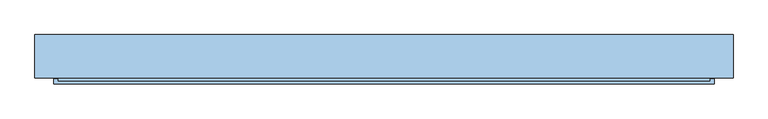
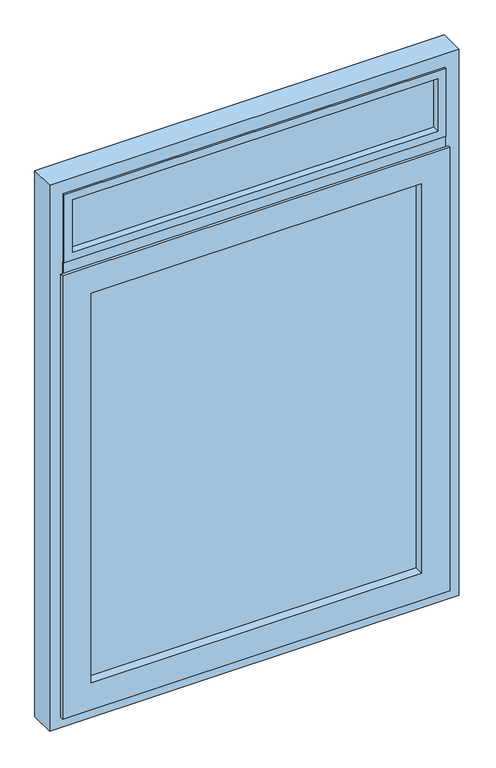
"""IFC4 building model written with IfcOpenShell, lengths in millimetres: window geometry."""

from ifc_helpers import new_model, si_unit, frame, origin, place, context, project, spatial, polyline, outline, extrude, faceted_brep, source, transform, mapped, element, save


def window_8c43812a(model_context):
    return source(origin(), model_context, "Body", "SolidModel", [
        faceted_brep([(-503.5, -31.25, 2171.3), (-503.5, 33.25, 2171.3), (-503.5, 33.25, 946.5), (-503.5, -31.25, 946.5), (503.5, 33.25, 2171.3), (503.5, 33.25, 946.5), (-487.5, 33.25, 962.5), (487.5, 33.25, 962.5), (487.5, 33.25, 2155.3), (-487.5, 33.25, 2155.3), (503.5, -31.25, 946.5), (-520.5, -31.25, 2188.3), (520.5, -31.25, 2188.3), (520.5, -31.25, 929.5), (-520.5, -31.25, 929.5), (503.5, -31.25, 2171.3), (-520.5, -38.75, 2188.3), (-520.5, -38.75, 929.5), (520.5, -38.75, 929.5), (520.5, -38.75, 2188.3), (-444.0, -38.75, 2111.8), (444.0, -38.75, 2111.8), (444.0, -38.75, 1006.0), (-444.0, -38.75, 1006.0), (-444.0, 38.75, 2111.8), (-444.0, 38.75, 1006.0), (444.0, 38.75, 1006.0), (-487.5, 38.75, 2155.3), (487.5, 38.75, 2155.3), (487.5, 38.75, 962.5), (-487.5, 38.75, 962.5), (444.0, 38.75, 2111.8)], [[[0, 1, 2, 3]], [[1, 4, 5, 2], [6, 7, 8, 9]], [[3, 2, 5, 10]], [[11, 12, 13, 14], [3, 10, 15, 0]], [[16, 11, 14, 17]], [[17, 14, 13, 18]], [[17, 18, 19, 16], [20, 21, 22, 23]], [[24, 20, 23, 25]], [[25, 23, 22, 26]], [[27, 28, 29, 30], [25, 26, 31, 24]], [[9, 27, 30, 6]], [[6, 30, 29, 7]], [[10, 5, 4, 15]], [[18, 13, 12, 19]], [[26, 22, 21, 31]], [[7, 29, 28, 8]], [[15, 4, 1, 0]], [[19, 12, 11, 16]], [[31, 21, 20, 24]], [[8, 28, 27, 9]]]),
        extrude(outline(polyline([(444.0, -14.0), (-444.0, -14.0), (-444.0, 22.0), (444.0, 22.0), (444.0, -14.0)])), frame((0.0, 0.0, 1001.5), z_axis=(0.0, 0.0, 1.0), x_axis=(1.0, 0.0, 0.0)), (0.0, 0.0, 1.0), 1114.8),
        extrude(outline(polyline([(492.0, -14.0), (-492.0, -14.0), (-492.0, 22.0), (492.0, 22.0), (492.0, -14.0)])), frame((0.0, 0.0, 2240.2), z_axis=(0.0, 0.0, 1.0), x_axis=(1.0, 0.0, 0.0)), (0.0, 0.0, 1.0), 151.8),
        faceted_brep([(550.0, 38.8, 900.0), (550.0, -29.2, 900.0), (-550.0, -29.2, 900.0), (-550.0, 38.8, 900.0), (550.0, 38.8, 2450.0), (550.0, -29.2, 2450.0), (-550.0, 38.8, 2450.0), (491.0, 38.8, 959.0), (491.0, 38.8, 2391.0), (-491.0, 38.8, 2391.0), (-491.0, 38.8, 959.0), (-550.0, -29.2, 2450.0), (513.0, -29.2, 937.0), (-513.0, -29.2, 937.0), (-513.0, -29.2, 2181.8), (-514.0, -29.2, 2181.8), (-514.0, -29.2, 2218.2), (-513.0, -29.2, 2218.2), (-513.0, -29.2, 2219.2), (-513.0, -29.2, 2413.0), (513.0, -29.2, 2413.0), (513.0, -29.2, 2219.2), (513.0, -29.2, 2218.2), (514.0, -29.2, 2218.2), (514.0, -29.2, 2181.8), (513.0, -29.2, 2181.8), (513.0, 33.8, 937.0), (-513.0, 33.8, 937.0), (513.0, 22.0, 2181.8), (513.0, 22.0, 2159.8), (513.0, 30.0, 2159.8), (513.0, 30.0, 2240.2), (513.0, 29.0, 2240.2), (513.0, 29.0, 2413.0), (513.0, 33.8, 2413.0), (513.0, 22.0, 2218.2), (513.0, 22.0, 2219.2), (-513.0, 33.8, 2413.0), (491.0, 33.8, 2391.0), (491.0, 33.8, 959.0), (-491.0, 33.8, 959.0), (-491.0, 33.8, 2391.0), (-513.0, 29.0, 2413.0), (-513.0, 29.0, 2240.2), (-513.0, 30.0, 2240.2), (-513.0, 30.0, 2159.8), (-513.0, 22.0, 2159.8), (-513.0, 22.0, 2181.8), (-513.0, 22.0, 2218.2), (-513.0, 22.0, 2219.2), (514.0, -30.0, 2181.8), (-514.0, -30.0, 2181.8), (-514.0, -30.0, 2218.2), (514.0, -30.0, 2218.2), (491.0, 29.0, 2391.0), (-491.0, 29.0, 2391.0), (-491.0, 29.0, 2241.2), (491.0, 29.0, 2241.2), (-491.0, -34.0, 2241.2), (491.0, -34.0, 2241.2), (513.0, -34.0, 2219.2), (-513.0, -34.0, 2219.2), (491.0, -34.0, 2391.0), (-491.0, -34.0, 2391.0), (513.0, -34.0, 2413.0), (-513.0, -34.0, 2413.0)], [[[0, 1, 2, 3]], [[1, 0, 4, 5]], [[4, 0, 3, 6], [7, 8, 9, 10]], [[1, 5, 11, 2], [12, 13, 14, 15, 16, 17, 18, 19, 20, 21, 22, 23, 24, 25]], [[12, 26, 27, 13]], [[26, 12, 25, 28, 29, 30, 31, 32, 33, 34]], [[35, 22, 21, 36]], [[26, 34, 37, 27], [38, 39, 40, 41]], [[39, 7, 10, 40]], [[7, 39, 38, 8]], [[11, 6, 3, 2]], [[13, 27, 37, 42, 43, 44, 45, 46, 47, 14]], [[17, 48, 49, 18]], [[9, 41, 40, 10]], [[5, 4, 6, 11]], [[8, 38, 41, 9]], [[44, 31, 30, 45]], [[45, 30, 29, 46]], [[46, 29, 28, 47]], [[50, 51, 15, 14, 47, 28, 25, 24]], [[52, 51, 50, 53]], [[52, 53, 23, 22, 35, 48, 17, 16]], [[48, 35, 36, 49]], [[31, 44, 43, 32]], [[33, 32, 43, 42], [54, 55, 56, 57]], [[57, 56, 58, 59]], [[60, 61, 18, 49, 36, 21]], [[55, 54, 62, 63]], [[56, 55, 63, 58]], [[54, 57, 59, 62]], [[37, 34, 33, 42]], [[60, 64, 65, 61], [62, 59, 58, 63]], [[64, 60, 21, 20]], [[65, 64, 20, 19]], [[61, 65, 19, 18]], [[51, 52, 16, 15]], [[53, 50, 24, 23]]]),
    ])


if __name__ == "__main__":
    model = new_model("IFC4")
    model_context = context("Model", 3, world=origin())
    ifc_project = project(units=[si_unit("LENGTHUNIT", "METRE", prefix="MILLI")], contexts=[model_context])
    site = spatial("IfcSite", under=ifc_project)
    building = spatial("IfcBuilding", under=site)
    placement = place(None, origin())
    window_shape = window_8c43812a(model_context)
    element("IfcWindow", 1, at=placement, inside=building, context=model_context, shape_type="MappedRepresentation", body=[
        mapped(window_shape, transform((0.0, 0.0, 0.0), x_axis=(1.0, 0.0, 0.0), y_axis=(0.0, 1.0, 0.0), z_axis=(0.0, 0.0, 1.0))),
    ])
    save(model, "model.ifc")
